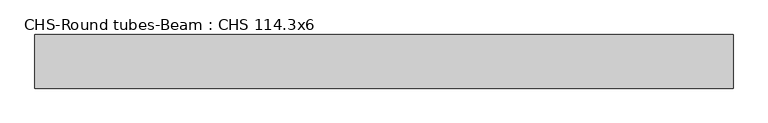
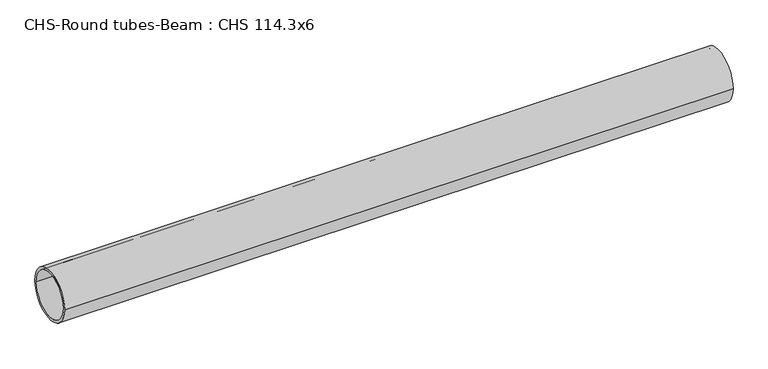
"""IFC4 building model written with IfcOpenShell, lengths in millimetres: beam geometry, CHS-Round tubes-Beam : CHS 114.3x6."""

from ifc_helpers import new_model, si_unit, point, frame, origin, origin_2d, place, context, project, spatial, circle_curve, trimmed, segment, composite_curve, outline, extrude, source, transform, mapped, element, save


def chs_round_tubes_beam_chs_114_3x6_7a977fda(model_context):
    return source(origin(), model_context, "Body", "SweptSolid", [
        extrude(outline(composite_curve([segment(trimmed(circle_curve(origin_2d(), 57.15), [point((57.15, 0.0))], [point((-57.15, 0.0))], False, "CARTESIAN"), True, "CONTINUOUS"), segment(trimmed(circle_curve(origin_2d(), 57.15), [point((-57.15, 0.0))], [point((57.15, 0.0))], False, "CARTESIAN"), True, "CONTINUOUS")], self_intersect=False), holes=[composite_curve([segment(trimmed(circle_curve(origin_2d(), 51.15), [point((51.15, 0.0))], [point((-51.15, 0.0))], True, "CARTESIAN"), True, "CONTINUOUS"), segment(trimmed(circle_curve(origin_2d(), 51.15), [point((-51.15, 0.0))], [point((51.15, 0.0))], True, "CARTESIAN"), True, "CONTINUOUS")], self_intersect=False)]), frame((-739.2359353, 0.0, 0.0), z_axis=(1.0, 0.0, 0.0), x_axis=(0.0, 1.0, 0.0)), (0.0, 0.0, 1.0), 1487.2116653),
    ])


if __name__ == "__main__":
    model = new_model("IFC4")
    model_context = context("Model", 3, world=origin())
    ifc_project = project(units=[si_unit("LENGTHUNIT", "METRE", prefix="MILLI")], contexts=[model_context])
    site = spatial("IfcSite", under=ifc_project)
    building = spatial("IfcBuilding", under=site)
    placement = place(None, origin())
    chs_round_tubes_beam_chs_114_3x6_shape = chs_round_tubes_beam_chs_114_3x6_7a977fda(model_context)
    element("IfcBeam", 1, ObjectType="CHS-Round tubes-Beam : CHS 114.3x6", at=placement, inside=building, context=model_context, shape_type="MappedRepresentation", body=[
        mapped(chs_round_tubes_beam_chs_114_3x6_shape, transform((0.0, 0.0, 0.0), x_axis=(1.0, 0.0, 0.0), y_axis=(0.0, 1.0, 0.0), z_axis=(0.0, 0.0, 1.0))),
    ])
    save(model, "model.ifc")
